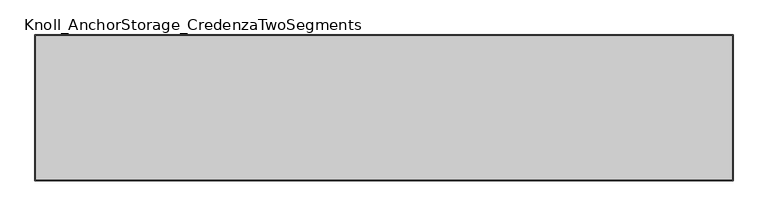
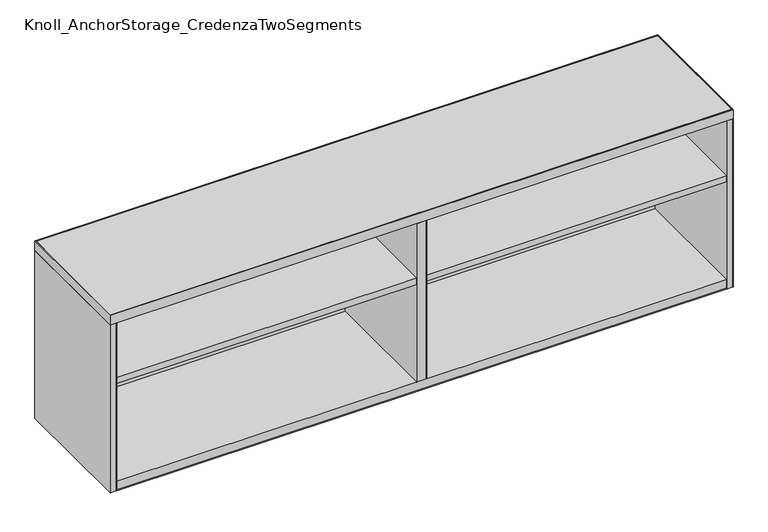
"""IFC4 building model written with IfcOpenShell, lengths in millimetres: furniture geometry, Knoll_AnchorStorage_CredenzaTwoSegments."""

import ifcopenshell
import ifcopenshell.guid

model = None  # the IFC model being written
_history = None  # IfcOwnerHistory: only IFC2X3 demands one
_inside = {}  # id of a spatial element -> (the spatial element, [elements in it])
_under = {}  # id of a project, library or spatial element -> (it, [spatial elements below it])
_declared = {}  # id of a project -> (the project, [libraries it declares])
_typed = {}  # id of a type object -> (the type object, [elements of that type])
_made_of = {}  # id of a material, layer set ... -> (it, [elements and type objects made of it])


def new_model(schema):
    """Start an empty IFC model of exactly this schema.

    Asked for "IFC4X3", IfcOpenShell would pick the latest addendum, in which some entities
    have other attributes; the version numbers below select the first issue.
    IFC2X3 requires an IfcOwnerHistory on every rooted entity: one is made here for all.
    """
    global model, _history
    if schema == "IFC4X3":
        model = ifcopenshell.file(schema_version=(4, 3, 0, 0))
    else:
        model = ifcopenshell.file(schema=schema)
    _inside.clear()
    _under.clear()
    _declared.clear()
    _typed.clear()
    _made_of.clear()
    _history = None
    if model.schema == "IFC2X3":
        org = make("IfcOrganization", Name="unknown")
        user = make(
            "IfcPersonAndOrganization",
            ThePerson=make("IfcPerson", FamilyName="unknown"),
            TheOrganization=org,
        )
        app = make(
            "IfcApplication",
            ApplicationDeveloper=org,
            Version="unknown",
            ApplicationFullName="unknown",
            ApplicationIdentifier="unknown",
        )
        _history = make(
            "IfcOwnerHistory",
            OwningUser=user,
            OwningApplication=app,
            ChangeAction="ADDED",
            CreationDate=0,
        )
    return model


def make(cls, **values):
    """One entity of the class cls with the attributes given. An attribute that is None is left unset."""
    return model.create_entity(
        cls, **{name: value for name, value in values.items() if value is not None}
    )


def rooted(cls, **values):
    """An entity with a GlobalId (a new one), such as an element, a storey or a relation."""
    return make(cls, GlobalId=ifcopenshell.guid.new(), OwnerHistory=_history, **values)


def si_unit(unit_type, name, prefix=None):
    """IfcSIUnit, for example si_unit("LENGTHUNIT", "METRE", prefix="MILLI")."""
    return make("IfcSIUnit", UnitType=unit_type, Prefix=prefix, Name=name)


def assignment(units):
    """IfcUnitAssignment: the units of a project."""
    return None if units is None else make("IfcUnitAssignment", Units=units)


def point(xyz):
    """IfcCartesianPoint."""
    return None if xyz is None else make("IfcCartesianPoint", Coordinates=xyz)


def direction(xyz):
    """IfcDirection."""
    return None if xyz is None else make("IfcDirection", DirectionRatios=xyz)


def frame(location, z_axis=None, x_axis=None):
    """IfcAxis2Placement3D, a coordinate frame: its origin and axes. An axis left out is left unset."""
    return make(
        "IfcAxis2Placement3D",
        Location=point(location),
        Axis=direction(z_axis),
        RefDirection=direction(x_axis),
    )


def frame_2d(location, x_axis=None):
    """IfcAxis2Placement2D, a coordinate frame in the plane: its origin and x axis."""
    return make(
        "IfcAxis2Placement2D", Location=point(location), RefDirection=direction(x_axis)
    )


def origin():
    """The frame at (0, 0, 0) with its axes left unset."""
    return frame((0.0, 0.0, 0.0))


def origin_with_axes():
    """The frame at (0, 0, 0) with the z axis (0, 0, 1) and the x axis (1, 0, 0) written out."""
    return frame((0.0, 0.0, 0.0), z_axis=(0.0, 0.0, 1.0), x_axis=(1.0, 0.0, 0.0))


def place(relative_to, where):
    """IfcLocalPlacement: puts the frame where relative to a parent placement (None: the world)."""
    return make(
        "IfcLocalPlacement", PlacementRelTo=relative_to, RelativePlacement=where
    )


def context(
    kind, dimensions, precision=None, world=None, true_north=None, identifier=None
):
    """IfcGeometricRepresentationContext, for example the 3D "Model" context."""
    return make(
        "IfcGeometricRepresentationContext",
        ContextIdentifier=identifier,
        ContextType=kind,
        CoordinateSpaceDimension=dimensions,
        Precision=precision,
        WorldCoordinateSystem=world,
        TrueNorth=true_north,
    )


def project(units=None, contexts=None):
    """IfcProject with its units and contexts."""
    return rooted(
        "IfcProject",
        Name="project",
        RepresentationContexts=contexts,
        UnitsInContext=assignment(units),
    )


def spatial(cls, under=None, at=None, **own):
    """A site, building, storey or space (cls), placed at a placement, below another one or the project."""
    s = rooted(cls, ObjectPlacement=at, **own)
    if under is not None:
        _under.setdefault(under.id(), (under, []))[1].append(s)
    return s


def polyline(points):
    """IfcPolyline through the points."""
    return make("IfcPolyline", Points=[point(p) for p in points])


def circle_curve(where, radius):
    """IfcCircle in the frame where."""
    return make("IfcCircle", Position=where, Radius=radius)


def trimmed(basis, trim1, trim2, sense, master):
    """IfcTrimmedCurve: the piece of a basis curve between two trims."""
    return make(
        "IfcTrimmedCurve",
        BasisCurve=basis,
        Trim1=trim1,
        Trim2=trim2,
        SenseAgreement=sense,
        MasterRepresentation=master,
    )


def segment(curve, same_sense, transition):
    """IfcCompositeCurveSegment."""
    return make(
        "IfcCompositeCurveSegment",
        Transition=transition,
        SameSense=same_sense,
        ParentCurve=curve,
    )


def composite_curve(segments, self_intersect=None):
    """IfcCompositeCurve: segments joined end to end."""
    return make("IfcCompositeCurve", Segments=segments, SelfIntersect=self_intersect)


def outline(outer, holes=None, kind="AREA"):
    """IfcArbitraryClosedProfileDef: a profile drawn as a closed curve; with holes, ...WithVoids."""
    if holes is None:
        return make("IfcArbitraryClosedProfileDef", ProfileType=kind, OuterCurve=outer)
    return make(
        "IfcArbitraryProfileDefWithVoids",
        ProfileType=kind,
        OuterCurve=outer,
        InnerCurves=holes,
    )


def extrude(swept, where, along, depth):
    """IfcExtrudedAreaSolid: the profile swept, set in the frame where, extruded along a direction by depth."""
    return make(
        "IfcExtrudedAreaSolid",
        SweptArea=swept,
        Position=where,
        ExtrudedDirection=direction(along),
        Depth=depth,
    )


def shape(context_of_items, identifier, shape_type, items):
    """IfcShapeRepresentation: the items that make up one representation, for example the "Body"."""
    return make(
        "IfcShapeRepresentation",
        ContextOfItems=context_of_items,
        RepresentationIdentifier=identifier,
        RepresentationType=shape_type,
        Items=items,
    )


def source(mapping_origin, context_of_items, identifier, shape_type, items):
    """IfcRepresentationMap: a shape defined once, which mapped items show again and again."""
    return make(
        "IfcRepresentationMap",
        MappingOrigin=mapping_origin,
        MappedRepresentation=shape(context_of_items, identifier, shape_type, items),
    )


def transform(
    local_origin,
    x_axis=None,
    y_axis=None,
    z_axis=None,
    scale=None,
    scale2=None,
    scale3=None,
    uniform=True,
):
    """IfcCartesianTransformationOperator3D, or its non-uniform kind. x_axis, y_axis, z_axis: its Axis1, 2, 3."""
    if uniform:
        return make(
            "IfcCartesianTransformationOperator3D",
            Axis1=direction(x_axis),
            Axis2=direction(y_axis),
            LocalOrigin=point(local_origin),
            Scale=scale,
            Axis3=direction(z_axis),
        )
    return make(
        "IfcCartesianTransformationOperator3DnonUniform",
        Axis1=direction(x_axis),
        Axis2=direction(y_axis),
        LocalOrigin=point(local_origin),
        Scale=scale,
        Axis3=direction(z_axis),
        Scale2=scale2,
        Scale3=scale3,
    )


def mapped(mapping_source, mapping_target):
    """IfcMappedItem: shows the shape of a source again, moved by a transform."""
    return make(
        "IfcMappedItem", MappingSource=mapping_source, MappingTarget=mapping_target
    )


def made_of(thing, what):
    """Note that an element or type object is made of a material, layer set ...; save() writes the relation."""
    if what is not None:
        _made_of.setdefault(what.id(), (what, []))[1].append(thing)
    return thing


def element(
    cls,
    number,
    at=None,
    inside=None,
    cuts=None,
    type_object=None,
    material=None,
    context=None,
    identifier="Body",
    shape_type=None,
    held_by="IfcProductDefinitionShape",
    body=None,
    shapes=None,
    **own,
):
    """One element of the class cls, such as IfcWall. Its Tag is "e" and its number.

    at: its placement. inside: the storey or other place that contains it. cuts: it is an
    opening in that element (IfcRelVoidsElement). A single representation is given by context,
    identifier, shape_type and body (its items); several are given by shapes. held_by: the class
    of the entity that holds the representations. save() writes the other relations.
    """
    e = rooted(cls, Tag="e%d" % number, ObjectPlacement=at, **own)
    if body is not None:
        shapes = [shape(context, identifier, shape_type, body)]
    if shapes is not None:
        e.Representation = make(held_by, Representations=shapes)
    if inside is not None:
        _inside.setdefault(inside.id(), (inside, []))[1].append(e)
    if cuts is not None:
        rooted(
            "IfcRelVoidsElement", RelatingBuildingElement=cuts, RelatedOpeningElement=e
        )
    if type_object is not None:
        _typed.setdefault(type_object.id(), (type_object, []))[1].append(e)
    return made_of(e, material)


def aggregate(whole, parts):
    """IfcRelAggregates: a whole, such as a stair, and the parts it consists of."""
    return rooted("IfcRelAggregates", RelatingObject=whole, RelatedObjects=parts)


def save(model, path):
    """Write the relations noted so far, then the file.

    IfcRelAggregates (storeys below a building ...), IfcRelContainedInSpatialStructure (elements
    in a storey), IfcRelDefinesByType, IfcRelAssociatesMaterial and IfcRelDeclares: one each for
    every whole, place, type object, material and project.
    """
    for whole, parts in _under.values():
        aggregate(whole, parts)
    for where, things in _inside.values():
        rooted(
            "IfcRelContainedInSpatialStructure",
            RelatedElements=things,
            RelatingStructure=where,
        )
    for kind, things in _typed.values():
        rooted("IfcRelDefinesByType", RelatedObjects=things, RelatingType=kind)
    for what, things in _made_of.values():
        rooted("IfcRelAssociatesMaterial", RelatedObjects=things, RelatingMaterial=what)
    for by, libraries in _declared.values():
        rooted("IfcRelDeclares", RelatingContext=by, RelatedDefinitions=libraries)
    model.write(path)


def knoll_anchorstorage_credenzatwosegments_91607039(model_context):
    return source(origin(), model_context, "Body", "SweptSolid", [
        extrude(outline(polyline([(1828.8, -382.3969956), (0.0, -382.3969956), (0.0, 0.0), (1828.8, 0.0), (1828.8, -382.3969956)]), holes=[polyline([(1826.26, -2.54), (2.54, -2.54), (2.54, -379.8569956), (1826.26, -379.8569956), (1826.26, -2.54)])]), frame((0.0, 0.0, 534.4921935), z_axis=(0.0, 0.0, 1.0), x_axis=(1.0, 0.0, 0.0)), (0.0, 0.0, 1.0), 28.9560087),
        extrude(outline(polyline([(899.922032, -19.05), (899.922032, -382.3969956), (19.05, -382.3969956), (19.05, -19.05), (899.922032, -19.05)])), frame((0.0, 0.0, 345.8210063), z_axis=(0.0, 0.0, 1.0), x_axis=(1.0, 0.0, 0.0)), (0.0, 0.0, 1.0), 19.05),
        extrude(outline(polyline([(1809.75, -19.05), (1809.75, -382.3969956), (928.877968, -382.3969956), (928.877968, -19.05), (1809.75, -19.05)])), frame((0.0, 0.0, 345.8210063), z_axis=(0.0, 0.0, 1.0), x_axis=(1.0, 0.0, 0.0)), (0.0, 0.0, 1.0), 19.05),
        extrude(outline(polyline([(1809.75, -382.3969956), (19.05, -382.3969956), (19.05, 0.0), (1809.75, 0.0), (1809.75, -382.3969956)])), frame((0.0, 0.0, 12.5730005), z_axis=(0.0, 0.0, 1.0), x_axis=(1.0, 0.0, 0.0)), (0.0, 0.0, 1.0), 2.54),
        extrude(outline(polyline([(1809.75, 0.0), (1809.75, -382.3969956), (19.05, -382.3969956), (19.05, 0.0), (1809.75, 0.0)])), frame((0.0, 0.0, 15.1130005), z_axis=(0.0, 0.0, 1.0), x_axis=(1.0, 0.0, 0.0)), (0.0, 0.0, 1.0), 26.4160008),
        extrude(outline(polyline([(2.54, -2.54), (1826.26, -2.54), (1826.26, -379.8569956), (2.54, -379.8569956), (2.54, -2.54)])), frame((0.0, 0.0, 534.4921935), z_axis=(0.0, 0.0, 1.0), x_axis=(1.0, 0.0, 0.0)), (0.0, 0.0, 1.0), 28.9560087),
        extrude(outline(polyline([(926.972968, -19.05), (926.972968, -382.3969956), (901.827032, -382.3969956), (901.827032, -19.05), (926.972968, -19.05)])), frame((0.0, 0.0, 41.5290013), z_axis=(0.0, 0.0, 1.0), x_axis=(1.0, 0.0, 0.0)), (0.0, 0.0, 1.0), 492.9631922),
        extrude(outline(polyline([(1809.75, -1.905), (1809.75, -17.145), (19.05, -17.145), (19.05, -1.905), (1809.75, -1.905)])), frame((0.0, 0.0, 41.5290013), z_axis=(0.0, 0.0, 1.0), x_axis=(1.0, 0.0, 0.0)), (0.0, 0.0, 1.0), 492.9631922),
        extrude(outline(polyline([(17.145, -382.3969956), (1.905, -382.3969956), (1.905, 0.0), (17.145, 0.0), (17.145, -382.3969956)])), frame((0.0, 0.0, 12.5730005), z_axis=(0.0, 0.0, 1.0), x_axis=(1.0, 0.0, 0.0)), (0.0, 0.0, 1.0), 521.919193),
        extrude(outline(polyline([(1826.895, 0.0), (1826.895, -382.3969956), (1811.655, -382.3969956), (1811.655, 0.0), (1826.895, 0.0)])), frame((0.0, 0.0, 12.5730005), z_axis=(0.0, 0.0, 1.0), x_axis=(1.0, 0.0, 0.0)), (0.0, 0.0, 1.0), 521.919193),
        extrude(outline(polyline([(901.827032, -382.3969956), (899.922032, -382.3969956), (899.922032, -19.05), (901.827032, -19.05), (901.827032, -382.3969956)])), frame((0.0, 0.0, 41.5290013), z_axis=(0.0, 0.0, 1.0), x_axis=(1.0, 0.0, 0.0)), (0.0, 0.0, 1.0), 492.9631922),
        extrude(outline(polyline([(928.877968, -19.05), (928.877968, -382.3969956), (926.972968, -382.3969956), (926.972968, -19.05), (928.877968, -19.05)])), frame((0.0, 0.0, 41.5290013), z_axis=(0.0, 0.0, 1.0), x_axis=(1.0, 0.0, 0.0)), (0.0, 0.0, 1.0), 492.9631922),
        extrude(outline(polyline([(1809.75, -17.145), (1809.75, -19.05), (19.05, -19.05), (19.05, -17.145), (1809.75, -17.145)])), frame((0.0, 0.0, 41.5290013), z_axis=(0.0, 0.0, 1.0), x_axis=(1.0, 0.0, 0.0)), (0.0, 0.0, 1.0), 492.9631922),
        extrude(outline(polyline([(1809.75, 0.0), (1809.75, -1.905), (19.05, -1.905), (19.05, 0.0), (1809.75, 0.0)])), frame((0.0, 0.0, 41.5290013), z_axis=(0.0, 0.0, 1.0), x_axis=(1.0, 0.0, 0.0)), (0.0, 0.0, 1.0), 492.9631922),
        extrude(outline(polyline([(1.905, 0.0), (1.905, -382.3969956), (0.0, -382.3969956), (0.0, 0.0), (1.905, 0.0)])), frame((0.0, 0.0, 12.5730005), z_axis=(0.0, 0.0, 1.0), x_axis=(1.0, 0.0, 0.0)), (0.0, 0.0, 1.0), 521.919193),
        extrude(outline(polyline([(17.145, 0.0), (19.05, 0.0), (19.05, -382.3969956), (17.145, -382.3969956), (17.145, 0.0)])), frame((0.0, 0.0, 12.5730005), z_axis=(0.0, 0.0, 1.0), x_axis=(1.0, 0.0, 0.0)), (0.0, 0.0, 1.0), 521.919193),
        extrude(outline(polyline([(1811.655, 0.0), (1811.655, -382.3969956), (1809.75, -382.3969956), (1809.75, 0.0), (1811.655, 0.0)])), frame((0.0, 0.0, 12.5730005), z_axis=(0.0, 0.0, 1.0), x_axis=(1.0, 0.0, 0.0)), (0.0, 0.0, 1.0), 521.919193),
        extrude(outline(polyline([(1826.895, -382.3969956), (1826.895, 0.0), (1828.8, 0.0), (1828.8, -382.3969956), (1826.895, -382.3969956)])), frame((0.0, 0.0, 12.5730005), z_axis=(0.0, 0.0, 1.0), x_axis=(1.0, 0.0, 0.0)), (0.0, 0.0, 1.0), 521.919193),
        extrude(outline(composite_curve([segment(trimmed(circle_curve(frame_2d((63.4999985, -50.8000015)), 12.699997), [point((63.4999985, -38.1000045))], [point((63.4999985, -63.4999985))], False, "CARTESIAN"), True, "CONTINUOUS"), segment(trimmed(circle_curve(frame_2d((63.4999985, -50.8000015)), 12.699997), [point((63.4999985, -63.4999985))], [point((63.4999985, -38.1000045))], False, "CARTESIAN"), True, "CONTINUOUS")], self_intersect=False)), origin_with_axes(), (0.0, 0.0, 1.0), 12.5730005),
        extrude(outline(composite_curve([segment(trimmed(circle_curve(frame_2d((63.4999985, -331.5970078)), 12.699997), [point((63.4999985, -318.8970108))], [point((63.4999985, -344.2970047))], False, "CARTESIAN"), True, "CONTINUOUS"), segment(trimmed(circle_curve(frame_2d((63.4999985, -331.5970078)), 12.699997), [point((63.4999985, -344.2970047))], [point((63.4999985, -318.8970108))], False, "CARTESIAN"), True, "CONTINUOUS")], self_intersect=False)), origin_with_axes(), (0.0, 0.0, 1.0), 12.5730005),
        extrude(outline(composite_curve([segment(trimmed(circle_curve(frame_2d((914.4, -331.5970078)), 12.699997), [point((914.4, -318.8970108))], [point((914.4, -344.2970047))], False, "CARTESIAN"), True, "CONTINUOUS"), segment(trimmed(circle_curve(frame_2d((914.4, -331.5970078)), 12.699997), [point((914.4, -344.2970047))], [point((914.4, -318.8970108))], False, "CARTESIAN"), True, "CONTINUOUS")], self_intersect=False)), origin_with_axes(), (0.0, 0.0, 1.0), 12.5730005),
        extrude(outline(composite_curve([segment(trimmed(circle_curve(frame_2d((914.4, -50.8000015)), 12.699997), [point((914.4, -38.1000045))], [point((914.4, -63.4999985))], False, "CARTESIAN"), True, "CONTINUOUS"), segment(trimmed(circle_curve(frame_2d((914.4, -50.8000015)), 12.699997), [point((914.4, -63.4999985))], [point((914.4, -38.1000045))], False, "CARTESIAN"), True, "CONTINUOUS")], self_intersect=False)), origin_with_axes(), (0.0, 0.0, 1.0), 12.5730005),
        extrude(outline(composite_curve([segment(trimmed(circle_curve(frame_2d((1765.2999516, -50.8000015)), 12.699997), [point((1765.2999516, -38.1000045))], [point((1765.2999516, -63.4999985))], False, "CARTESIAN"), True, "CONTINUOUS"), segment(trimmed(circle_curve(frame_2d((1765.2999516, -50.8000015)), 12.699997), [point((1765.2999516, -63.4999985))], [point((1765.2999516, -38.1000045))], False, "CARTESIAN"), True, "CONTINUOUS")], self_intersect=False)), origin_with_axes(), (0.0, 0.0, 1.0), 12.5730005),
        extrude(outline(composite_curve([segment(trimmed(circle_curve(frame_2d((1765.2999516, -331.5970078)), 12.699997), [point((1765.2999516, -318.8970108))], [point((1765.2999516, -344.2970047))], False, "CARTESIAN"), True, "CONTINUOUS"), segment(trimmed(circle_curve(frame_2d((1765.2999516, -331.5970078)), 12.699997), [point((1765.2999516, -344.2970047))], [point((1765.2999516, -318.8970108))], False, "CARTESIAN"), True, "CONTINUOUS")], self_intersect=False)), origin_with_axes(), (0.0, 0.0, 1.0), 12.5730005),
    ])


if __name__ == "__main__":
    model = new_model("IFC4")
    model_context = context("Model", 3, world=origin())
    ifc_project = project(units=[si_unit("LENGTHUNIT", "METRE", prefix="MILLI")], contexts=[model_context])
    site = spatial("IfcSite", under=ifc_project)
    building = spatial("IfcBuilding", under=site)
    placement = place(None, origin())
    knoll_anchorstorage_credenzatwosegments_shape = knoll_anchorstorage_credenzatwosegments_91607039(model_context)
    element("IfcFurniture", 1, ObjectType="Knoll_AnchorStorage_CredenzaTwoSegments", at=placement, inside=building, context=model_context, shape_type="MappedRepresentation", body=[
        mapped(knoll_anchorstorage_credenzatwosegments_shape, transform((0.0, 0.0, 0.0), x_axis=(1.0, 0.0, 0.0), y_axis=(0.0, 1.0, 0.0), z_axis=(0.0, 0.0, 1.0))),
    ])
    save(model, "model.ifc")
